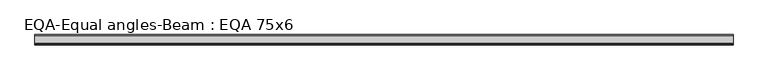
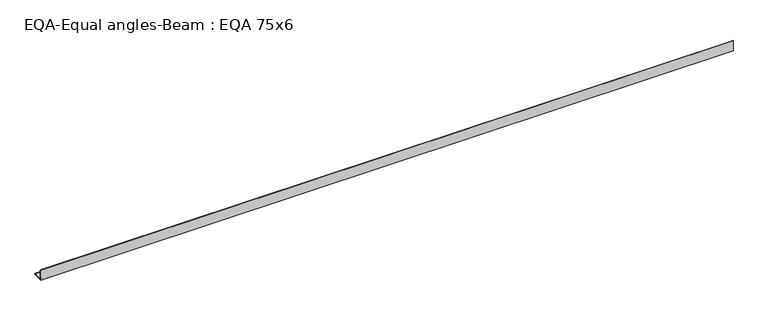
"""IFC4 building model written with IfcOpenShell, lengths in millimetres: beam geometry, EQA-Equal angles-Beam : EQA 75x6."""

from ifc_helpers import new_model, si_unit, point, frame, frame_2d, origin, place, context, project, spatial, polyline, circle_curve, trimmed, segment, composite_curve, outline, extrude, source, transform, mapped, element, save


def eqa_equal_angles_beam_eqa_75x6_b704e9a7(model_context):
    return source(origin(), model_context, "Body", "SweptSolid", [
        extrude(outline(composite_curve([segment(polyline([(-20.5, -20.5), (-20.5, 54.5), (-19.0, 54.5)]), True, "CONTINUOUS"), segment(trimmed(circle_curve(frame_2d((-19.0, 50.0)), 4.5), [point((-19.0, 54.5))], [point((-14.5, 50.0))], False, "CARTESIAN"), True, "CONTINUOUS"), segment(polyline([(-14.5, 50.0), (-14.5, -5.5)]), True, "CONTINUOUS"), segment(trimmed(circle_curve(frame_2d((-5.5, -5.5)), 9.0), [point((-14.5, -5.5))], [point((-5.5, -14.5))], True, "CARTESIAN"), True, "CONTINUOUS"), segment(polyline([(-5.5, -14.5), (50.0, -14.5)]), True, "CONTINUOUS"), segment(trimmed(circle_curve(frame_2d((50.0, -19.0)), 4.5), [point((50.0, -14.5))], [point((54.5, -19.0))], False, "CARTESIAN"), True, "CONTINUOUS"), segment(polyline([(54.5, -19.0), (54.5, -20.5), (-20.5, -20.5)]), True, "CONTINUOUS")], self_intersect=False)), frame((-2467.7738994, 0.0, 0.0), z_axis=(1.0, 0.0, 0.0), x_axis=(0.0, 1.0, 0.0)), (0.0, 0.0, 1.0), 4957.7953512),
    ])


if __name__ == "__main__":
    model = new_model("IFC4")
    model_context = context("Model", 3, world=origin())
    ifc_project = project(units=[si_unit("LENGTHUNIT", "METRE", prefix="MILLI")], contexts=[model_context])
    site = spatial("IfcSite", under=ifc_project)
    building = spatial("IfcBuilding", under=site)
    placement = place(None, origin())
    eqa_equal_angles_beam_eqa_75x6_shape = eqa_equal_angles_beam_eqa_75x6_b704e9a7(model_context)
    element("IfcBeam", 1, ObjectType="EQA-Equal angles-Beam : EQA 75x6", at=placement, inside=building, context=model_context, shape_type="MappedRepresentation", body=[
        mapped(eqa_equal_angles_beam_eqa_75x6_shape, transform((0.0, 0.0, 0.0), x_axis=(1.0, 0.0, 0.0), y_axis=(0.0, 1.0, 0.0), z_axis=(0.0, 0.0, 1.0))),
    ])
    save(model, "model.ifc")
